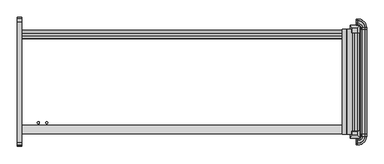
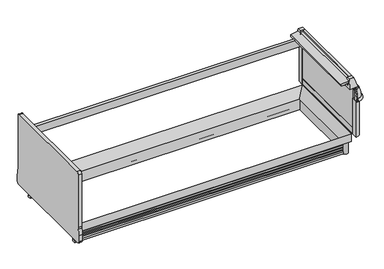
"""IFC4 building model written with IfcOpenShell, lengths in millimetres: proxy geometry."""

from ifc_helpers import new_model, si_unit, point, frame, frame_2d, origin, origin_with_axes, place, context, project, spatial, polyline, circle_curve, ellipse_curve, trimmed, segment, composite_curve, outline, extrude, faceted_brep, source, transform, mapped, element, save
from ifc_brep_helpers import plane_surface, cylinder_surface, revolved_surface, advanced_brep


def mechanical_equipment_f2664e0f(model_context):
    return source(origin(), model_context, "Body", "SolidModel", [
        faceted_brep([(3056.8225341, -1407.9898987, 887.830185), (3056.8225341, -1369.8898987, 887.830185), (3006.0225341, -1369.8898987, 887.830185), (3006.0225341, -1407.9898987, 887.830185), (3083.1736504, -1434.8571273, 789.5616491), (2995.4530658, -1434.8571273, 789.5616491), (2995.4530658, -1361.5806673, 789.5616491), (3083.1736504, -1361.5806673, 789.5616491)], [[[0, 1, 2, 3]], [[4, 5, 6, 7]], [[5, 4, 0, 3]], [[6, 5, 3, 2]], [[7, 6, 2, 1]], [[4, 7, 1, 0]]]),
        advanced_brep(
        [(3126.6448888, -441.4213458, 685.0123617), (3124.9991151, -441.4213458, 652.3000491), (3126.6448888, -427.271097, 685.0123617), (3124.9991151, -427.271097, 652.3000491), (3062.6679207, -364.9399026, 652.3000491), (3062.6679207, -363.2941289, 685.0123617), (3048.0, -363.2941289, 685.0123617), (3048.0, -364.9399026, 652.3000491)],
        [
            (0, 1),
            (1, 0, circle_curve(frame((3125.276553, -441.4213458, 668.6836472), z_axis=(0.0, -1.0, 0.0), x_axis=(-1.0, 0.0, 0.0)), 16.385947)),
            (0, 2),
            (2, 3),
            (3, 1),
            (3, 2, circle_curve(frame((3125.276553, -427.271097, 668.6836472), z_axis=(0.0, -1.0, 0.0), x_axis=(-1.0, 0.0, 0.0)), 16.385947)),
            (4, 3, circle_curve(frame((3062.6679207, -427.271097, 652.3000491), z_axis=(0.0, 0.0, -1.0), x_axis=(1.0, 0.0, 0.0)), 62.3311944)),
            (2, 5, circle_curve(frame((3062.6679207, -427.271097, 685.0123617), z_axis=(0.0, 0.0, 1.0), x_axis=(1.0, 0.0, 0.0)), 63.9769681)),
            (5, 4),
            (4, 5, circle_curve(frame((3062.6679207, -364.6624647, 668.6836472), z_axis=(1.0, 0.0, 0.0), x_axis=(0.0, -1.0, 0.0)), 16.385947)),
            (6, 7, circle_curve(frame((3048.0, -364.6624647, 668.6836472), z_axis=(-1.0, 0.0, 0.0), x_axis=(0.0, -1.0, 0.0)), 16.385947)),
            (7, 6),
            (5, 6),
            (7, 4),
        ],
        [
            plane_surface(frame((3141.6625, -441.4213458, 0.0), z_axis=(0.0, -1.0, 0.0), x_axis=(0.0, 0.0, 1.0))),
            plane_surface(frame((3126.6448888, -441.4213458, 685.0123617), z_axis=(-0.9987368228727785, 0.0, 0.05024697640642828), x_axis=(0.0, 1.0, 0.0))),
            cylinder_surface(frame((3125.276553, -441.4213458, 668.6836472), z_axis=(0.0, -1.0, 0.0), x_axis=(-1.0, 0.0, 0.0)), 16.385947),
            revolved_surface(polyline([(3126.6448888, -427.271097, 685.0123617), (3124.9991151, -427.271097, 652.3000491)]), (3062.6679207, -427.271097, 0.0), (0.0, 0.0, 1.0)),
            revolved_surface(trimmed(ellipse_curve(frame((3125.276553, -427.271097, 668.6836472), z_axis=(0.0, -1.0, 0.0), x_axis=(-1.0, 0.0, 0.0)), 16.385947, 16.385947), [point((3124.9991151, -427.271097, 652.3000491))], [point((3126.6448888, -427.271097, 685.0123617))], True, "CARTESIAN"), (3062.6679207, -427.271097, 0.0), (0.0, 0.0, 1.0)),
            plane_surface(frame((3048.0, -348.2765176, 0.0), z_axis=(-1.0, 0.0, 0.0), x_axis=(0.0, 0.0, 1.0))),
            plane_surface(frame((3062.6679207, -363.2941289, 685.0123617), z_axis=(0.0, -0.9987368228727785, 0.05024697640642828), x_axis=(-1.0, 0.0, 0.0))),
            cylinder_surface(frame((3062.6679207, -364.6624647, 668.6836472), z_axis=(1.0, 0.0, 0.0), x_axis=(0.0, -1.0, 0.0)), 16.385947),
        ],
        [
            (0, [[1, 2]]),
            (1, [[-1, 3, 4, 5]]),
            (2, [[-2, -5, 6, -3]]),
            (3, [[7, -4, 8, 9]]),
            (4, [[-8, -6, -7, 10]]),
            (5, [[11, 12]]),
            (6, [[-9, 13, -12, 14]]),
            (7, [[-10, -14, -11, -13]]),
        ],
    ),
        extrude(outline(composite_curve([segment(polyline([(3048.0, -441.4213458), (3048.0, -380.4372292)]), True, "CONTINUOUS"), segment(trimmed(circle_curve(frame_2d((3048.0, -441.4213458)), 60.9841166), [point((3048.0, -380.4372292))], [point((3108.9841166, -441.4213458))], False, "CARTESIAN"), True, "CONTINUOUS"), segment(polyline([(3108.9841166, -441.4213458), (3048.0, -441.4213458)]), True, "CONTINUOUS")], self_intersect=False)), frame((0.0, 0.0, 226.1000374), z_axis=(0.0, 0.0, 1.0), x_axis=(1.0, 0.0, 0.0)), (0.0, 0.0, 1.0), 424.6252116),
        advanced_brep(
        [(3089.0624683, -441.4213458, 789.5616491), (3076.294269, -441.4213458, 789.5616491), (3087.9930904, -441.4213458, 752.5993877), (3087.9930904, -441.4213458, 650.7252491), (3123.4243151, -441.4213458, 650.7252491), (3124.9991151, -441.4213458, 652.3000491), (3126.6448888, -441.4213458, 685.0123617), (3103.4738542, -441.4213458, 780.3445453), (3089.0624683, -427.271097, 789.5616491), (3062.6679207, -400.8765493, 789.5616491), (3048.0, -400.8765493, 789.5616491), (3048.0, -413.6447486, 789.5616491), (3062.6679207, -413.6447486, 789.5616491), (3076.294269, -427.271097, 789.5616491), (3087.9930904, -427.271097, 752.5993877), (3087.9930904, -427.271097, 650.7252491), (3062.6679207, -401.9459272, 650.7252491), (3048.0, -401.9459272, 650.7252491), (3048.0, -366.5147026, 650.7252491), (3062.6679207, -366.5147026, 650.7252491), (3123.4243151, -427.271097, 650.7252491), (3124.9991151, -427.271097, 652.3000491), (3126.6448888, -427.271097, 685.0123617), (3103.4738542, -427.271097, 780.3445453), (3048.0, -386.4651634, 780.3445453), (3048.0, -363.2941289, 685.0123617), (3048.0, -364.9399026, 652.3000491), (3048.0, -401.9459272, 752.5993877), (3062.6679207, -401.9459272, 752.5993877), (3062.6679207, -364.9399026, 652.3000491), (3062.6679207, -363.2941289, 685.0123617), (3062.6679207, -386.4651634, 780.3445453)],
        [
            (0, 1),
            (1, 2),
            (2, 3),
            (3, 4),
            (4, 5),
            (5, 6),
            (6, 7, circle_curve(frame((2872.8916802, -441.4213458, 673.8182058), z_axis=(0.0, -1.0, 0.0), x_axis=(-1.0, 0.0, 0.0)), 254.0)),
            (7, 0, circle_curve(frame((3089.0624683, -441.4213458, 773.6866491), z_axis=(0.0, -1.0, 0.0), x_axis=(-1.0, 0.0, 0.0)), 15.875)),
            (0, 8),
            (8, 9, circle_curve(frame((3062.6679207, -427.271097, 789.5616491), z_axis=(0.0, 0.0, 1.0), x_axis=(1.0, 0.0, 0.0)), 26.3945477)),
            (9, 10),
            (10, 11),
            (11, 12),
            (12, 13, circle_curve(frame((3062.6679207, -427.271097, 789.5616491), z_axis=(0.0, 0.0, -1.0), x_axis=(1.0, 0.0, 0.0)), 13.6263483)),
            (13, 1),
            (13, 14),
            (14, 2),
            (14, 15),
            (15, 3),
            (15, 16, circle_curve(frame((3062.6679207, -427.271097, 650.7252491), z_axis=(0.0, 0.0, 1.0), x_axis=(1.0, 0.0, 0.0)), 25.3251698)),
            (16, 17),
            (17, 18),
            (18, 19),
            (19, 20, circle_curve(frame((3062.6679207, -427.271097, 650.7252491), z_axis=(0.0, 0.0, -1.0), x_axis=(1.0, 0.0, 0.0)), 60.7563944)),
            (20, 4),
            (20, 21),
            (21, 5),
            (21, 22),
            (22, 6),
            (22, 23, circle_curve(frame((2872.8916802, -427.271097, 673.8182058), z_axis=(0.0, -1.0, 0.0), x_axis=(-1.0, 0.0, 0.0)), 254.0)),
            (23, 7),
            (23, 8, circle_curve(frame((3089.0624683, -427.271097, 773.6866491), z_axis=(0.0, -1.0, 0.0), x_axis=(-1.0, 0.0, 0.0)), 15.875)),
            (10, 24, circle_curve(frame((3048.0, -400.8765493, 773.6866491), z_axis=(-1.0, 0.0, 0.0), x_axis=(0.0, -1.0, 0.0)), 15.875)),
            (24, 25, circle_curve(frame((3048.0, -617.0473375, 673.8182058), z_axis=(-1.0, 0.0, 0.0), x_axis=(0.0, -1.0, 0.0)), 254.0)),
            (25, 26),
            (26, 18),
            (17, 27),
            (27, 11),
            (28, 14, circle_curve(frame((3062.6679207, -427.271097, 752.5993877), z_axis=(0.0, 0.0, -1.0), x_axis=(1.0, 0.0, 0.0)), 25.3251698)),
            (12, 28),
            (28, 16),
            (29, 21, circle_curve(frame((3062.6679207, -427.271097, 652.3000491), z_axis=(0.0, 0.0, -1.0), x_axis=(1.0, 0.0, 0.0)), 62.3311944)),
            (19, 29),
            (30, 22, circle_curve(frame((3062.6679207, -427.271097, 685.0123617), z_axis=(0.0, 0.0, -1.0), x_axis=(1.0, 0.0, 0.0)), 63.9769681)),
            (29, 30),
            (31, 23, circle_curve(frame((3062.6679207, -427.271097, 780.3445453), z_axis=(0.0, 0.0, -1.0), x_axis=(1.0, 0.0, 0.0)), 40.8059336)),
            (30, 31, circle_curve(frame((3062.6679207, -617.0473375, 673.8182058), z_axis=(1.0, 0.0, 0.0), x_axis=(0.0, -1.0, 0.0)), 254.0)),
            (31, 9, circle_curve(frame((3062.6679207, -400.8765493, 773.6866491), z_axis=(1.0, 0.0, 0.0), x_axis=(0.0, -1.0, 0.0)), 15.875)),
            (27, 28),
            (26, 29),
            (25, 30),
            (24, 31),
        ],
        [
            plane_surface(frame((3141.6625, -441.4213458, 0.0), z_axis=(0.0, -1.0, 0.0), x_axis=(0.0, 0.0, 1.0))),
            plane_surface(frame((3089.0624683, -441.4213458, 789.5616491), z_axis=(0.0, 0.0, 1.0), x_axis=(0.0, 1.0, 0.0))),
            plane_surface(frame((3076.294269, -441.4213458, 789.5616491), z_axis=(-0.9533859746647335, 0.0, -0.3017535141677331), x_axis=(0.0, 1.0, 0.0))),
            plane_surface(frame((3087.9930904, -441.4213458, 752.5993877), z_axis=(-1.0, 0.0, 0.0), x_axis=(0.0, 1.0, 0.0))),
            plane_surface(frame((3109.5051151, -441.4213458, 650.7252491), z_axis=(0.0, 0.0, -1.0), x_axis=(0.0, 1.0, 0.0))),
            plane_surface(frame((3123.4243151, -441.4213458, 650.7252491), z_axis=(0.7071067811865779, 0.0, -0.7071067811865172), x_axis=(0.0, 1.0, 0.0))),
            plane_surface(frame((3124.9991151, -441.4213458, 652.3000491), z_axis=(0.9987368228727792, 0.0, -0.050246976406415636), x_axis=(0.0, 1.0, 0.0))),
            cylinder_surface(frame((2872.8916802, -441.4213458, 673.8182058), z_axis=(0.0, -1.0, 0.0), x_axis=(-1.0, 0.0, 0.0)), 254.0),
            cylinder_surface(frame((3089.0624683, -441.4213458, 773.6866491), z_axis=(0.0, -1.0, 0.0), x_axis=(-1.0, 0.0, 0.0)), 15.875),
            plane_surface(frame((3048.0, -348.2765176, 0.0), z_axis=(-1.0, 0.0, 0.0), x_axis=(0.0, 0.0, 1.0))),
            revolved_surface(polyline([(3076.294269, -427.271097, 789.5616491), (3087.9930904, -427.271097, 752.5993877)]), (3062.6679207, -427.271097, 0.0), (0.0, 0.0, 1.0)),
            revolved_surface(polyline([(3087.9930905, -427.271097, 752.5993877), (3087.9930905, -427.271097, 650.7252491)]), (3062.6679207, -427.271097, 0.0), (0.0, 0.0, 1.0)),
            revolved_surface(polyline([(3123.4243151, -427.271097, 650.7252491), (3124.9991151, -427.271097, 652.3000491)]), (3062.6679207, -427.271097, 0.0), (0.0, 0.0, 1.0)),
            revolved_surface(polyline([(3124.9991151, -427.271097, 652.3000491), (3126.6448888, -427.271097, 685.0123617)]), (3062.6679207, -427.271097, 0.0), (0.0, 0.0, 1.0)),
            revolved_surface(trimmed(ellipse_curve(frame((2872.8916802, -427.271097, 673.8182058), z_axis=(0.0, -1.0, 0.0), x_axis=(-1.0, 0.0, 0.0)), 254.0, 254.0), [point((3126.6448888, -427.271097, 685.0123617))], [point((3103.4738542, -427.271097, 780.3445453))], True, "CARTESIAN"), (3062.6679207, -427.271097, 0.0), (0.0, 0.0, 1.0)),
            revolved_surface(trimmed(ellipse_curve(frame((3089.0624683, -427.271097, 773.6866491), z_axis=(0.0, -1.0, 0.0), x_axis=(-1.0, 0.0, 0.0)), 15.875, 15.875), [point((3103.4738542, -427.271097, 780.3445453))], [point((3089.0624683, -427.271097, 789.5616491))], True, "CARTESIAN"), (3062.6679207, -427.271097, 0.0), (0.0, 0.0, 1.0)),
            plane_surface(frame((3062.6679207, -413.6447486, 789.5616491), z_axis=(0.0, -0.9533859746647335, -0.3017535141677331), x_axis=(-1.0, 0.0, 0.0))),
            plane_surface(frame((3062.6679207, -401.9459272, 752.5993877), z_axis=(0.0, -1.0, 0.0), x_axis=(-1.0, 0.0, 0.0))),
            plane_surface(frame((3062.6679207, -366.5147026, 650.7252491), z_axis=(0.0, 0.7071067811865779, -0.7071067811865172), x_axis=(-1.0, 0.0, 0.0))),
            plane_surface(frame((3062.6679207, -364.9399026, 652.3000491), z_axis=(0.0, 0.9987368228727792, -0.050246976406415636), x_axis=(-1.0, 0.0, 0.0))),
            cylinder_surface(frame((3062.6679207, -617.0473375, 673.8182058), z_axis=(1.0, 0.0, 0.0), x_axis=(0.0, -1.0, 0.0)), 254.0),
            cylinder_surface(frame((3062.6679207, -400.8765493, 773.6866491), z_axis=(1.0, 0.0, 0.0), x_axis=(0.0, -1.0, 0.0)), 15.875),
        ],
        [
            (0, [[1, 2, 3, 4, 5, 6, 7, 8]]),
            (1, [[-1, 9, 10, 11, 12, 13, 14, 15]]),
            (2, [[-2, -15, 16, 17]]),
            (3, [[-3, -17, 18, 19]]),
            (4, [[-19, 20, 21, 22, 23, 24, 25, -4]]),
            (5, [[-5, -25, 26, 27]]),
            (6, [[-6, -27, 28, 29]]),
            (7, [[-7, -29, 30, 31]]),
            (8, [[-8, -31, 32, -9]]),
            (9, [[33, 34, 35, 36, -22, 37, 38, -12]]),
            (10, [[39, -16, -14, 40]]),
            (11, [[-20, -18, -39, 41]]),
            (12, [[42, -26, -24, 43]]),
            (13, [[44, -28, -42, 45]]),
            (14, [[46, -30, -44, 47]]),
            (15, [[-10, -32, -46, 48]]),
            (16, [[-40, -13, -38, 49]]),
            (17, [[-41, -49, -37, -21]]),
            (18, [[-43, -23, -36, 50]]),
            (19, [[-45, -50, -35, 51]]),
            (20, [[-47, -51, -34, 52]]),
            (21, [[-48, -52, -33, -11]]),
        ],
    ),
        faceted_brep([(3056.8225341, -433.0243559, 887.830185), (3006.0225341, -433.0243559, 887.830185), (3006.0225341, -471.1243559, 887.830185), (3056.8225341, -471.1243559, 887.830185), (3083.1736504, -406.1571273, 789.5616491), (3083.1736504, -479.4335873, 789.5616491), (2995.4530658, -479.4335873, 789.5616491), (2995.4530658, -406.1571273, 789.5616491)], [[[0, 1, 2, 3]], [[4, 5, 6, 7]], [[4, 7, 1, 0]], [[7, 6, 2, 1]], [[6, 5, 3, 2]], [[5, 4, 0, 3]]]),
        extrude(outline(composite_curve([segment(trimmed(circle_curve(frame_2d((2995.9826477, -1346.327275)), 30.3864225), [point((3011.8253577, -1320.3976931))], [point((2970.0530658, -1362.169985))], False, "CARTESIAN"), True, "CONTINUOUS"), segment(polyline([(2970.0530658, -1362.169985), (3011.8253577, -1320.3976931)]), True, "CONTINUOUS")], self_intersect=False)), origin_with_axes(), (0.0, 0.0, 1.0), 134.9377392),
        extrude(outline(composite_curve([segment(polyline([(3011.8253577, -520.6165615), (2970.0530658, -478.8442696)]), True, "CONTINUOUS"), segment(trimmed(circle_curve(frame_2d((2995.9826477, -494.6869796)), 30.3864225), [point((2970.0530658, -478.8442696))], [point((3011.8253577, -520.6165615))], False, "CARTESIAN"), True, "CONTINUOUS")], self_intersect=False)), origin_with_axes(), (0.0, 0.0, 1.0), 134.9377392),
        faceted_brep([(0.0, -1315.4009706, 134.9377392), (0.0, -1391.2014814, 134.9377392), (0.0, -1391.2014814, 226.1000374), (2965.0563433, -1315.4009706, 134.9377392), (2965.0563433, -525.6132839, 134.9377392), (0.0, -525.6132839, 134.9377392), (0.0, -449.8127732, 134.9377392), (3040.8568541, -449.8127732, 134.9377392), (3040.8568541, -1391.2014814, 134.9377392), (3040.8568541, -1391.2014814, 226.1000374), (3040.8568541, -449.8127732, 226.1000374), (0.0, -449.8127732, 226.1000374)], [[[0, 1, 2]], [[1, 0, 3, 4, 5, 6, 7, 8]], [[2, 1, 8, 9]], [[0, 2, 9, 3]], [[9, 8, 7, 10]], [[3, 9, 10, 4]], [[5, 11, 6]], [[10, 7, 6, 11]], [[4, 10, 11, 5]]]),
        advanced_brep(
        [(0.0, -1362.169985, 0.0), (0.0, -1362.169985, 22.738034), (0.0, -1348.552182, 32.3453469), (0.0, -1345.063085, 43.510607), (0.0, -1355.7002802, 41.3527842), (0.0, -1357.6941802, 41.3527842), (0.0, -1357.6941802, 54.0527842), (0.0, -1348.552182, 63.31753), (0.0, -1345.063085, 74.4827901), (0.0, -1355.7002802, 72.3249673), (0.0, -1357.6941802, 72.3249673), (0.0, -1357.6941802, 85.0249673), (0.0, -1348.552182, 94.2897131), (0.0, -1345.063085, 105.3285212), (0.0, -1355.7002802, 103.2973373), (0.0, -1357.6941802, 103.2973373), (0.0, -1357.6941802, 115.9973373), (0.0, -1345.063085, 128.6971504), (0.0, -1345.063085, 134.9377392), (0.0, -1329.6202359, 134.9377392), (0.0, -1329.6202359, 0.0), (3011.8253577, -1362.169985, 0.0), (3011.8253577, -1362.169985, 22.738034), (2998.2075547, -1348.552182, 32.3453469), (2994.7184577, -1345.063085, 43.510607), (3005.3556529, -1355.7002802, 41.3527842), (3005.3556529, -485.3139744, 41.3527842), (0.0, -485.3139744, 41.3527842), (0.0, -483.3200744, 41.3527842), (3007.3495529, -483.3200744, 41.3527842), (3007.3495529, -1357.6941802, 41.3527842), (3007.3495529, -1357.6941802, 54.0527842), (2998.2075547, -1348.552182, 63.31753), (2994.7184577, -1345.063085, 74.4827901), (3005.3556529, -1355.7002802, 72.3249673), (3005.3556529, -485.3139744, 72.3249673), (0.0, -485.3139744, 72.3249673), (0.0, -483.3200744, 72.3249673), (3007.3495529, -483.3200744, 72.3249673), (3007.3495529, -1357.6941802, 72.3249673), (3007.3495529, -1357.6941802, 85.0249673), (2998.2075547, -1348.552182, 94.2897131), (2994.7184577, -1345.063085, 105.3285212), (3005.3556529, -1355.7002802, 103.2973373), (3005.3556529, -485.3139744, 103.2973373), (0.0, -485.3139744, 103.2973373), (0.0, -483.3200744, 103.2973373), (3007.3495529, -483.3200744, 103.2973373), (3007.3495529, -1357.6941802, 103.2973373), (3007.3495529, -1357.6941802, 115.9973373), (2994.7184577, -1345.063085, 128.6971504), (2994.7184577, -1345.063085, 134.9377392), (2994.7184577, -495.9511696, 134.9377392), (0.0, -495.9511696, 134.9377392), (0.0, -511.3940187, 134.9377392), (2979.2756086, -511.3940187, 134.9377392), (2979.2756086, -1329.6202359, 134.9377392), (2979.2756086, -1329.6202359, 0.0), (2979.2756086, -511.3940187, 0.0), (0.0, -511.3940187, 0.0), (0.0, -478.8442696, 0.0), (3011.8253577, -478.8442696, 0.0), (3011.8253577, -478.8442696, 22.738034), (2998.2075547, -492.4620726, 32.3453469), (2994.7184577, -495.9511696, 43.510607), (3007.3495529, -483.3200744, 54.0527842), (2998.2075547, -492.4620726, 63.31753), (2994.7184577, -495.9511696, 74.4827901), (3007.3495529, -483.3200744, 85.0249673), (2998.2075547, -492.4620726, 94.2897131), (2994.7184577, -495.9511696, 105.3285212), (3007.3495529, -483.3200744, 115.9973373), (2994.7184577, -495.9511696, 128.6971504), (0.0, -495.9511696, 128.6971504), (0.0, -483.3200744, 115.9973373), (0.0, -495.9511696, 105.3285212), (0.0, -492.4620726, 94.2897131), (0.0, -483.3200744, 85.0249673), (0.0, -495.9511696, 74.4827901), (0.0, -492.4620726, 63.31753), (0.0, -483.3200744, 54.0527842), (0.0, -495.9511696, 43.510607), (0.0, -492.4620726, 32.3453469), (0.0, -478.8442696, 22.738034)],
        [
            (0, 1),
            (1, 2, circle_curve(frame((0.0, -1361.6341614, 36.4334108), z_axis=(1.0, 0.0, 0.0), x_axis=(0.0, 1.0, 0.0)), 13.7058546)),
            (2, 3),
            (3, 4),
            (4, 5),
            (5, 6),
            (6, 7, circle_curve(frame((0.0, -1362.112048, 67.5549314), z_axis=(1.0, 0.0, 0.0), x_axis=(0.0, 1.0, 0.0)), 14.2065314)),
            (7, 8),
            (8, 9),
            (9, 10),
            (10, 11),
            (11, 12, circle_curve(frame((0.0, -1362.1844233, 98.598531), z_axis=(1.0, 0.0, 0.0), x_axis=(0.0, 1.0, 0.0)), 14.2969897)),
            (12, 13),
            (13, 14),
            (14, 15),
            (15, 16),
            (16, 17, circle_curve(frame((0.0, -1357.763085, 128.6971504), z_axis=(1.0, 0.0, 0.0), x_axis=(0.0, 1.0, 0.0)), 12.7)),
            (17, 18),
            (18, 19),
            (19, 20),
            (20, 0),
            (0, 21),
            (21, 22),
            (22, 1),
            (22, 23, ellipse_curve(frame((3011.2895341, -1361.6341614, 36.4334108), z_axis=(0.7071067811865475, 0.7071067811865475, 0.0), x_axis=(0.7071067811865476, -0.7071067811865474, 0.0)), 19.3830055, 13.7058546)),
            (23, 2),
            (23, 24),
            (24, 3),
            (24, 25),
            (25, 4),
            (25, 26),
            (26, 27),
            (27, 28),
            (28, 29),
            (29, 30),
            (30, 5),
            (30, 31),
            (31, 6),
            (31, 32, ellipse_curve(frame((3011.7674207, -1362.112048, 67.5549314), z_axis=(0.7071067811865475, 0.7071067811865475, 0.0), x_axis=(0.7071067811865476, -0.7071067811865474, 0.0)), 20.0910694, 14.2065314)),
            (32, 7),
            (32, 33),
            (33, 8),
            (33, 34),
            (34, 9),
            (34, 35),
            (35, 36),
            (36, 37),
            (37, 38),
            (38, 39),
            (39, 10),
            (39, 40),
            (40, 11),
            (40, 41, ellipse_curve(frame((3011.839796, -1362.1844233, 98.598531), z_axis=(0.7071067811865475, 0.7071067811865475, 0.0), x_axis=(0.7071067811865476, -0.7071067811865474, 0.0)), 20.2189967, 14.2969897)),
            (41, 12),
            (41, 42),
            (42, 13),
            (42, 43),
            (43, 14),
            (43, 44),
            (44, 45),
            (45, 46),
            (46, 47),
            (47, 48),
            (48, 15),
            (48, 49),
            (49, 16),
            (49, 50, ellipse_curve(frame((3007.4184577, -1357.763085, 128.6971504), z_axis=(0.7071067811865475, 0.7071067811865475, 0.0), x_axis=(0.7071067811865476, -0.7071067811865474, 0.0)), 17.9605122, 12.7)),
            (50, 17),
            (50, 51),
            (51, 18),
            (51, 52),
            (52, 53),
            (53, 54),
            (54, 55),
            (55, 56),
            (56, 19),
            (56, 57),
            (57, 20),
            (57, 58),
            (58, 59),
            (59, 60),
            (60, 61),
            (61, 21),
            (61, 62),
            (62, 22),
            (62, 63, ellipse_curve(frame((3011.2895341, -479.3800932, 36.4334108), z_axis=(-0.7071067811865475, 0.7071067811865475, 0.0), x_axis=(0.7071067811865474, 0.7071067811865476, 0.0)), 19.3830055, 13.7058546)),
            (63, 23),
            (63, 64),
            (64, 24),
            (64, 26),
            (29, 65),
            (65, 31),
            (65, 66, ellipse_curve(frame((3011.7674207, -478.9022066, 67.5549314), z_axis=(-0.7071067811865475, 0.7071067811865475, 0.0), x_axis=(0.7071067811865474, 0.7071067811865476, 0.0)), 20.0910694, 14.2065314)),
            (66, 32),
            (66, 67),
            (67, 33),
            (67, 35),
            (38, 68),
            (68, 40),
            (68, 69, ellipse_curve(frame((3011.839796, -478.8298313, 98.598531), z_axis=(-0.7071067811865475, 0.7071067811865475, 0.0), x_axis=(0.7071067811865474, 0.7071067811865476, 0.0)), 20.2189967, 14.2969897)),
            (69, 41),
            (69, 70),
            (70, 42),
            (70, 44),
            (47, 71),
            (71, 49),
            (71, 72, ellipse_curve(frame((3007.4184577, -483.2511696, 128.6971504), z_axis=(-0.7071067811865475, 0.7071067811865475, 0.0), x_axis=(0.7071067811865474, 0.7071067811865476, 0.0)), 17.9605122, 12.7)),
            (72, 50),
            (72, 52),
            (55, 58),
            (59, 54),
            (53, 73),
            (73, 74, circle_curve(frame((0.0, -483.2511696, 128.6971504), z_axis=(1.0, 0.0, 0.0), x_axis=(0.0, -1.0, 0.0)), 12.7)),
            (74, 46),
            (45, 75),
            (75, 76),
            (76, 77, circle_curve(frame((0.0, -478.8298313, 98.598531), z_axis=(1.0, 0.0, 0.0), x_axis=(0.0, -1.0, 0.0)), 14.2969897)),
            (77, 37),
            (36, 78),
            (78, 79),
            (79, 80, circle_curve(frame((0.0, -478.9022066, 67.5549314), z_axis=(1.0, 0.0, 0.0), x_axis=(0.0, -1.0, 0.0)), 14.2065314)),
            (80, 28),
            (27, 81),
            (81, 82),
            (82, 83, circle_curve(frame((0.0, -479.3800932, 36.4334108), z_axis=(1.0, 0.0, 0.0), x_axis=(0.0, -1.0, 0.0)), 13.7058546)),
            (83, 60),
            (83, 62),
            (82, 63),
            (81, 64),
            (80, 65),
            (79, 66),
            (78, 67),
            (77, 68),
            (76, 69),
            (75, 70),
            (74, 71),
            (73, 72),
        ],
        [
            plane_surface(frame((0.0, -1492.0071273, 0.0), z_axis=(-1.0, 0.0, 0.0), x_axis=(0.0, 0.0, 1.0))),
            plane_surface(frame((0.0, -1362.169985, 0.0), z_axis=(0.0, -1.0, 0.0), x_axis=(1.0, 0.0, 0.0))),
            revolved_surface(polyline([(3024.995388728826, -1347.9283068, 36.4334108), (0.0, -1347.9283068, 36.4334108)]), (0.0, -1361.6341614, 36.4334108), (1.0, 0.0, 0.0)),
            plane_surface(frame((0.0, -1348.552182, 32.3453469), z_axis=(0.0, -0.9544811145040085, 0.29827135641087943), x_axis=(1.0, 0.0, 0.0))),
            plane_surface(frame((0.0, -1345.063085, 43.510607), z_axis=(0.0, 0.19880707887695687, -0.9800386448443814), x_axis=(1.0, 0.0, 0.0))),
            plane_surface(frame((0.0, -1355.7002802, 41.3527842), z_axis=(0.0, 0.0, -1.0), x_axis=(1.0, 0.0, 0.0))),
            plane_surface(frame((0.0, -1357.6941802, 41.3527842), z_axis=(0.0, -1.0, 0.0), x_axis=(1.0, 0.0, 0.0))),
            revolved_surface(polyline([(3025.9739521140295, -1347.9055166, 67.5549314), (0.0, -1347.9055166, 67.5549314)]), (0.0, -1362.112048, 67.5549314), (1.0, 0.0, 0.0)),
            plane_surface(frame((0.0, -1348.552182, 63.31753), z_axis=(0.0, -0.9544811145040126, 0.2982713564108663), x_axis=(1.0, 0.0, 0.0))),
            plane_surface(frame((0.0, -1345.063085, 74.4827901), z_axis=(0.0, 0.19880707887702875, -0.9800386448443668), x_axis=(1.0, 0.0, 0.0))),
            plane_surface(frame((0.0, -1355.7002802, 72.3249673), z_axis=(0.0, 0.0, -1.0), x_axis=(1.0, 0.0, 0.0))),
            plane_surface(frame((0.0, -1357.6941802, 72.3249673), z_axis=(0.0, -1.0, 0.0), x_axis=(1.0, 0.0, 0.0))),
            revolved_surface(polyline([(3026.1367856753586, -1347.8874336, 98.598531), (0.0, -1347.8874336, 98.598531)]), (0.0, -1362.1844233, 98.598531), (1.0, 0.0, 0.0)),
            plane_surface(frame((0.0, -1348.552182, 94.2897131), z_axis=(0.0, -0.9535043111328338, 0.30137937661873965), x_axis=(1.0, 0.0, 0.0))),
            plane_surface(frame((0.0, -1345.063085, 105.3285212), z_axis=(0.0, 0.18756221551803512, -0.982252724765865), x_axis=(1.0, 0.0, 0.0))),
            plane_surface(frame((0.0, -1355.7002802, 103.2973373), z_axis=(0.0, 0.0, -1.0), x_axis=(1.0, 0.0, 0.0))),
            plane_surface(frame((0.0, -1357.6941802, 103.2973373), z_axis=(0.0, -1.0, 0.0), x_axis=(1.0, 0.0, 0.0))),
            revolved_surface(polyline([(3020.118457670204, -1345.063085, 128.6971504), (0.0, -1345.063085, 128.6971504)]), (0.0, -1357.763085, 128.6971504), (1.0, 0.0, 0.0)),
            plane_surface(frame((0.0, -1345.063085, 128.6971504), z_axis=(0.0, -1.0, 0.0), x_axis=(1.0, 0.0, 0.0))),
            plane_surface(frame((0.0, -1345.063085, 134.9377392), z_axis=(0.0, 0.0, 1.0), x_axis=(1.0, 0.0, 0.0))),
            plane_surface(frame((0.0, -1329.6202359, 134.9377392), z_axis=(0.0, 1.0, 0.0), x_axis=(1.0, 0.0, 0.0))),
            plane_surface(frame((0.0, -1329.6202359, 0.0), z_axis=(0.0, 0.0, -1.0), x_axis=(1.0, 0.0, 0.0))),
            plane_surface(frame((3011.8253577, -1362.169985, 0.0), z_axis=(1.0, 0.0, 0.0), x_axis=(0.0, 1.0, 0.0))),
            revolved_surface(polyline([(2997.5836795, -465.6742385711739, 36.4334108), (2997.5836795, -1375.340016028826, 36.4334108)]), (3011.2895341, -1492.0071273, 36.4334108), (0.0, 1.0, 0.0)),
            plane_surface(frame((2998.2075547, -1348.552182, 32.3453469), z_axis=(0.9544811145040085, 0.0, 0.29827135641087943), x_axis=(0.0, 1.0, 0.0))),
            plane_surface(frame((2994.7184577, -1345.063085, 43.510607), z_axis=(-0.19880707887695687, 0.0, -0.9800386448443814), x_axis=(0.0, 1.0, 0.0))),
            plane_surface(frame((3007.3495529, -1357.6941802, 41.3527842), z_axis=(1.0, 0.0, 0.0), x_axis=(0.0, 1.0, 0.0))),
            revolved_surface(polyline([(2997.5608893, -464.69567518597046, 67.5549314), (2997.5608893, -1376.3185794140295, 67.5549314)]), (3011.7674207, -1492.0071273, 67.5549314), (0.0, 1.0, 0.0)),
            plane_surface(frame((2998.2075547, -1348.552182, 63.31753), z_axis=(0.9544811145040126, 0.0, 0.2982713564108663), x_axis=(0.0, 1.0, 0.0))),
            plane_surface(frame((2994.7184577, -1345.063085, 74.4827901), z_axis=(-0.19880707887702875, 0.0, -0.9800386448443668), x_axis=(0.0, 1.0, 0.0))),
            plane_surface(frame((3007.3495529, -1357.6941802, 72.3249673), z_axis=(1.0, 0.0, 0.0), x_axis=(0.0, 1.0, 0.0))),
            revolved_surface(polyline([(2997.5428063000004, -464.5328416246416, 98.598531), (2997.5428063000004, -1376.4814129753584, 98.598531)]), (3011.839796, -1492.0071273, 98.598531), (0.0, 1.0, 0.0)),
            plane_surface(frame((2998.2075547, -1348.552182, 94.2897131), z_axis=(0.9535043111328338, 0.0, 0.30137937661873965), x_axis=(0.0, 1.0, 0.0))),
            plane_surface(frame((2994.7184577, -1345.063085, 105.3285212), z_axis=(-0.18756221551803512, 0.0, -0.982252724765865), x_axis=(0.0, 1.0, 0.0))),
            plane_surface(frame((3007.3495529, -1357.6941802, 103.2973373), z_axis=(1.0, 0.0, 0.0), x_axis=(0.0, 1.0, 0.0))),
            revolved_surface(polyline([(2994.7184577000003, -470.5511696297963, 128.6971504), (2994.7184577000003, -1370.4630849702037, 128.6971504)]), (3007.4184577, -1492.0071273, 128.6971504), (0.0, 1.0, 0.0)),
            plane_surface(frame((2994.7184577, -1345.063085, 128.6971504), z_axis=(1.0, 0.0, 0.0), x_axis=(0.0, 1.0, 0.0))),
            plane_surface(frame((2979.2756086, -1329.6202359, 134.9377392), z_axis=(-1.0, 0.0, 0.0), x_axis=(0.0, 1.0, 0.0))),
            plane_surface(frame((0.0, -349.0071273, 0.0), z_axis=(-1.0, 0.0, 0.0), x_axis=(0.0, 0.0, 1.0))),
            plane_surface(frame((3011.8253577, -478.8442696, 0.0), z_axis=(0.0, 1.0, 0.0), x_axis=(-1.0, 0.0, 0.0))),
            revolved_surface(polyline([(0.0, -493.0859478, 36.4334108), (3024.995388728826, -493.0859478, 36.4334108)]), (3141.6625, -479.3800932, 36.4334108), (-1.0, 0.0, 0.0)),
            plane_surface(frame((2998.2075547, -492.4620726, 32.3453469), z_axis=(0.0, 0.9544811145040085, 0.29827135641087943), x_axis=(-1.0, 0.0, 0.0))),
            plane_surface(frame((2994.7184577, -495.9511696, 43.510607), z_axis=(0.0, -0.19880707887695687, -0.9800386448443814), x_axis=(-1.0, 0.0, 0.0))),
            plane_surface(frame((3007.3495529, -483.3200744, 41.3527842), z_axis=(0.0, 1.0, 0.0), x_axis=(-1.0, 0.0, 0.0))),
            revolved_surface(polyline([(0.0, -493.108738, 67.5549314), (3025.9739521140295, -493.108738, 67.5549314)]), (3141.6625, -478.9022066, 67.5549314), (-1.0, 0.0, 0.0)),
            plane_surface(frame((2998.2075547, -492.4620726, 63.31753), z_axis=(0.0, 0.9544811145040126, 0.2982713564108663), x_axis=(-1.0, 0.0, 0.0))),
            plane_surface(frame((2994.7184577, -495.9511696, 74.4827901), z_axis=(0.0, -0.19880707887702875, -0.9800386448443668), x_axis=(-1.0, 0.0, 0.0))),
            plane_surface(frame((3007.3495529, -483.3200744, 72.3249673), z_axis=(0.0, 1.0, 0.0), x_axis=(-1.0, 0.0, 0.0))),
            revolved_surface(polyline([(0.0, -493.126821, 98.598531), (3026.1367856753586, -493.126821, 98.598531)]), (3141.6625, -478.8298313, 98.598531), (-1.0, 0.0, 0.0)),
            plane_surface(frame((2998.2075547, -492.4620726, 94.2897131), z_axis=(0.0, 0.9535043111328338, 0.30137937661873965), x_axis=(-1.0, 0.0, 0.0))),
            plane_surface(frame((2994.7184577, -495.9511696, 105.3285212), z_axis=(0.0, -0.18756221551803512, -0.982252724765865), x_axis=(-1.0, 0.0, 0.0))),
            plane_surface(frame((3007.3495529, -483.3200744, 103.2973373), z_axis=(0.0, 1.0, 0.0), x_axis=(-1.0, 0.0, 0.0))),
            revolved_surface(polyline([(0.0, -495.9511696, 128.6971504), (3020.118457670204, -495.9511696, 128.6971504)]), (3141.6625, -483.2511696, 128.6971504), (-1.0, 0.0, 0.0)),
            plane_surface(frame((2994.7184577, -495.9511696, 128.6971504), z_axis=(0.0, 1.0, 0.0), x_axis=(-1.0, 0.0, 0.0))),
            plane_surface(frame((2979.2756086, -511.3940187, 134.9377392), z_axis=(0.0, -1.0, 0.0), x_axis=(-1.0, 0.0, 0.0))),
        ],
        [
            (0, [[1, 2, 3, 4, 5, 6, 7, 8, 9, 10, 11, 12, 13, 14, 15, 16, 17, 18, 19, 20, 21]]),
            (1, [[-1, 22, 23, 24]]),
            (2, [[-2, -24, 25, 26]]),
            (3, [[-3, -26, 27, 28]]),
            (4, [[-4, -28, 29, 30]]),
            (5, [[-5, -30, 31, 32, 33, 34, 35, 36]]),
            (6, [[-6, -36, 37, 38]]),
            (7, [[-7, -38, 39, 40]]),
            (8, [[-8, -40, 41, 42]]),
            (9, [[-9, -42, 43, 44]]),
            (10, [[-10, -44, 45, 46, 47, 48, 49, 50]]),
            (11, [[-11, -50, 51, 52]]),
            (12, [[-12, -52, 53, 54]]),
            (13, [[-13, -54, 55, 56]]),
            (14, [[-14, -56, 57, 58]]),
            (15, [[-15, -58, 59, 60, 61, 62, 63, 64]]),
            (16, [[-16, -64, 65, 66]]),
            (17, [[-17, -66, 67, 68]]),
            (18, [[-18, -68, 69, 70]]),
            (19, [[-19, -70, 71, 72, 73, 74, 75, 76]]),
            (20, [[-20, -76, 77, 78]]),
            (21, [[-21, -78, 79, 80, 81, 82, 83, -22]]),
            (22, [[-23, -83, 84, 85]]),
            (23, [[-25, -85, 86, 87]]),
            (24, [[-27, -87, 88, 89]]),
            (25, [[-29, -89, 90, -31]]),
            (26, [[-37, -35, 91, 92]]),
            (27, [[-39, -92, 93, 94]]),
            (28, [[-41, -94, 95, 96]]),
            (29, [[-43, -96, 97, -45]]),
            (30, [[-51, -49, 98, 99]]),
            (31, [[-53, -99, 100, 101]]),
            (32, [[-55, -101, 102, 103]]),
            (33, [[-57, -103, 104, -59]]),
            (34, [[-65, -63, 105, 106]]),
            (35, [[-67, -106, 107, 108]]),
            (36, [[-69, -108, 109, -71]]),
            (37, [[-77, -75, 110, -79]]),
            (38, [[-81, 111, -73, 112, 113, 114, -61, 115, 116, 117, 118, -47, 119, 120, 121, 122, -33, 123, 124, 125, 126]]),
            (39, [[-84, -82, -126, 127]]),
            (40, [[-86, -127, -125, 128]]),
            (41, [[-88, -128, -124, 129]]),
            (42, [[-90, -129, -123, -32]]),
            (43, [[-91, -34, -122, 130]]),
            (44, [[-93, -130, -121, 131]]),
            (45, [[-95, -131, -120, 132]]),
            (46, [[-97, -132, -119, -46]]),
            (47, [[-98, -48, -118, 133]]),
            (48, [[-100, -133, -117, 134]]),
            (49, [[-102, -134, -116, 135]]),
            (50, [[-104, -135, -115, -60]]),
            (51, [[-105, -62, -114, 136]]),
            (52, [[-107, -136, -113, 137]]),
            (53, [[-109, -137, -112, -72]]),
            (54, [[-110, -74, -111, -80]]),
        ],
    ),
        advanced_brep(
        [(3126.6448888, -1399.5929088, 685.0123617), (3124.9991151, -1399.5929088, 652.3000491), (3124.9991151, -1413.7431576, 652.3000491), (3126.6448888, -1413.7431576, 685.0123617), (3062.6679207, -1477.7201257, 685.0123617), (3062.6679207, -1476.074352, 652.3000491), (3048.0, -1477.7201257, 685.0123617), (3048.0, -1476.074352, 652.3000491)],
        [
            (0, 1, circle_curve(frame((3125.276553, -1399.5929088, 668.6836472), z_axis=(0.0, 1.0, 0.0), x_axis=(1.0, 0.0, 0.0)), 16.385947)),
            (1, 0),
            (1, 2),
            (2, 3),
            (3, 0),
            (3, 2, circle_curve(frame((3125.276553, -1413.7431576, 668.6836472), z_axis=(0.0, 1.0, 0.0), x_axis=(1.0, 0.0, 0.0)), 16.385947)),
            (4, 3, circle_curve(frame((3062.6679207, -1413.7431576, 685.0123617), z_axis=(0.0, 0.0, 1.0), x_axis=(1.0, 0.0, 0.0)), 63.9769681)),
            (2, 5, circle_curve(frame((3062.6679207, -1413.7431576, 652.3000491), z_axis=(0.0, 0.0, -1.0), x_axis=(1.0, 0.0, 0.0)), 62.3311944)),
            (5, 4),
            (4, 5, circle_curve(frame((3062.6679207, -1476.3517899, 668.6836472), z_axis=(1.0, 0.0, 0.0), x_axis=(0.0, -1.0, 0.0)), 16.385947)),
            (6, 7),
            (7, 6, circle_curve(frame((3048.0, -1476.3517899, 668.6836472), z_axis=(-1.0, 0.0, 0.0), x_axis=(0.0, -1.0, 0.0)), 16.385947)),
            (5, 7),
            (6, 4),
        ],
        [
            plane_surface(frame((3141.6625, -1399.5929088, 0.0), z_axis=(0.0, 1.0, 0.0), x_axis=(0.0, 0.0, 1.0))),
            plane_surface(frame((3124.9991151, -1399.5929088, 652.3000491), z_axis=(-0.9987368228727785, 0.0, 0.05024697640642828), x_axis=(0.0, -1.0, 0.0))),
            cylinder_surface(frame((3125.276553, -1399.5929088, 668.6836472), z_axis=(0.0, 1.0, 0.0), x_axis=(1.0, 0.0, 0.0)), 16.385947),
            revolved_surface(polyline([(3124.9991151, -1413.7431576, 652.3000491), (3126.6448888, -1413.7431576, 685.0123617)]), (3062.6679207, -1413.7431576, 0.0), (0.0, 0.0, -1.0)),
            revolved_surface(trimmed(ellipse_curve(frame((3125.276553, -1413.7431576, 668.6836472), z_axis=(0.0, 1.0, 0.0), x_axis=(1.0, 0.0, 0.0)), 16.385947, 16.385947), [point((3126.6448888, -1413.7431576, 685.0123617))], [point((3124.9991151, -1413.7431576, 652.3000491))], True, "CARTESIAN"), (3062.6679207, -1413.7431576, 0.0), (0.0, 0.0, -1.0)),
            plane_surface(frame((3048.0, -1492.737737, 0.0), z_axis=(-1.0, 0.0, 0.0), x_axis=(0.0, 0.0, 1.0))),
            plane_surface(frame((3062.6679207, -1476.074352, 652.3000491), z_axis=(0.0, 0.9987368228727785, 0.05024697640642828), x_axis=(-1.0, 0.0, 0.0))),
            cylinder_surface(frame((3062.6679207, -1476.3517899, 668.6836472), z_axis=(1.0, 0.0, 0.0), x_axis=(0.0, -1.0, 0.0)), 16.385947),
        ],
        [
            (0, [[1, 2]]),
            (1, [[-2, 3, 4, 5]]),
            (2, [[-1, -5, 6, -3]]),
            (3, [[7, -4, 8, 9]]),
            (4, [[-8, -6, -7, 10]]),
            (5, [[11, 12]]),
            (6, [[-9, 13, -11, 14]]),
            (7, [[-10, -14, -12, -13]]),
        ],
    ),
        extrude(outline(composite_curve([segment(polyline([(3048.0, -1399.5929088), (3109.5003787, -1399.5929088)]), True, "CONTINUOUS"), segment(trimmed(circle_curve(frame_2d((3054.2261195, -1404.3162274)), 55.4757016), [point((3109.5003787, -1399.5929088))], [point((3048.0, -1459.4414385))], False, "CARTESIAN"), True, "CONTINUOUS"), segment(polyline([(3048.0, -1459.4414385), (3048.0, -1399.5929088)]), True, "CONTINUOUS")], self_intersect=False)), frame((0.0, 0.0, 226.1000374), z_axis=(0.0, 0.0, 1.0), x_axis=(1.0, 0.0, 0.0)), (0.0, 0.0, 1.0), 424.6252116),
        advanced_brep(
        [(3089.0624683, -1399.5929088, 789.5616491), (3103.4738542, -1399.5929088, 780.3445453), (3126.6448888, -1399.5929088, 685.0123617), (3124.985946, -1399.5929088, 652.3000491), (3123.411146, -1399.5929088, 650.7252491), (3087.9799213, -1399.5929088, 650.7252491), (3087.9799213, -1399.5929088, 752.5993877), (3076.294269, -1399.5929088, 789.5616491), (3076.294269, -1413.7431576, 789.5616491), (3062.6679207, -1427.369506, 789.5616491), (3048.0, -1427.369506, 789.5616491), (3048.0, -1440.1377053, 789.5616491), (3062.6679207, -1440.1377053, 789.5616491), (3089.0624683, -1413.7431576, 789.5616491), (3087.9799213, -1413.7431576, 752.5993877), (3087.9799213, -1413.7431576, 650.7252491), (3123.411146, -1413.7431576, 650.7252491), (3062.6679207, -1474.4863829, 650.7252491), (3048.0, -1474.4863829, 650.7252491), (3048.0, -1439.0551583, 650.7252491), (3062.6679207, -1439.0551583, 650.7252491), (3124.985946, -1413.7431576, 652.3000491), (3126.6448888, -1413.7431576, 685.0123617), (3103.4738542, -1413.7431576, 780.3445453), (3048.0, -1439.0551583, 752.5993877), (3048.0, -1476.0611829, 652.3000491), (3048.0, -1477.7201257, 685.0123617), (3048.0, -1454.5490912, 780.3445453), (3062.6679207, -1439.0551583, 752.5993877), (3062.6679207, -1476.0611829, 652.3000491), (3062.6679207, -1477.7201257, 685.0123617), (3062.6679207, -1454.5490912, 780.3445453)],
        [
            (0, 1, circle_curve(frame((3089.0624683, -1399.5929088, 773.6866491), z_axis=(0.0, 1.0, 0.0), x_axis=(1.0, 0.0, 0.0)), 15.875)),
            (1, 2, circle_curve(frame((2872.8916802, -1399.5929088, 673.8182058), z_axis=(0.0, 1.0, 0.0), x_axis=(1.0, 0.0, 0.0)), 254.0)),
            (2, 3),
            (3, 4),
            (4, 5),
            (5, 6),
            (6, 7),
            (7, 0),
            (7, 8),
            (8, 9, circle_curve(frame((3062.6679207, -1413.7431576, 789.5616491), z_axis=(0.0, 0.0, -1.0), x_axis=(1.0, 0.0, 0.0)), 13.6263483)),
            (9, 10),
            (10, 11),
            (11, 12),
            (12, 13, circle_curve(frame((3062.6679207, -1413.7431576, 789.5616491), z_axis=(0.0, 0.0, 1.0), x_axis=(1.0, 0.0, 0.0)), 26.3945477)),
            (13, 0),
            (6, 14),
            (14, 8),
            (5, 15),
            (15, 14),
            (4, 16),
            (16, 17, circle_curve(frame((3062.6679207, -1413.7431576, 650.7252491), z_axis=(0.0, 0.0, -1.0), x_axis=(1.0, 0.0, 0.0)), 60.7432253)),
            (17, 18),
            (18, 19),
            (19, 20),
            (20, 15, circle_curve(frame((3062.6679207, -1413.7431576, 650.7252491), z_axis=(0.0, 0.0, 1.0), x_axis=(1.0, 0.0, 0.0)), 25.3120007)),
            (3, 21),
            (21, 16),
            (2, 22),
            (22, 21),
            (1, 23),
            (23, 22, circle_curve(frame((2872.8916802, -1413.7431576, 673.8182058), z_axis=(0.0, 1.0, 0.0), x_axis=(1.0, 0.0, 0.0)), 254.0)),
            (13, 23, circle_curve(frame((3089.0624683, -1413.7431576, 773.6866491), z_axis=(0.0, 1.0, 0.0), x_axis=(1.0, 0.0, 0.0)), 15.875)),
            (10, 24),
            (24, 19),
            (18, 25),
            (25, 26),
            (26, 27, circle_curve(frame((3048.0, -1223.9669171, 673.8182058), z_axis=(-1.0, 0.0, 0.0), x_axis=(0.0, -1.0, 0.0)), 254.0)),
            (27, 11, circle_curve(frame((3048.0, -1440.1377053, 773.6866491), z_axis=(-1.0, 0.0, 0.0), x_axis=(0.0, -1.0, 0.0)), 15.875)),
            (14, 28, circle_curve(frame((3062.6679207, -1413.7431576, 752.5993877), z_axis=(0.0, 0.0, -1.0), x_axis=(1.0, 0.0, 0.0)), 25.3120007)),
            (28, 9),
            (20, 28),
            (21, 29, circle_curve(frame((3062.6679207, -1413.7431576, 652.3000491), z_axis=(0.0, 0.0, -1.0), x_axis=(1.0, 0.0, 0.0)), 62.3180253)),
            (29, 17),
            (22, 30, circle_curve(frame((3062.6679207, -1413.7431576, 685.0123617), z_axis=(0.0, 0.0, -1.0), x_axis=(1.0, 0.0, 0.0)), 63.9769681)),
            (30, 29),
            (23, 31, circle_curve(frame((3062.6679207, -1413.7431576, 780.3445453), z_axis=(0.0, 0.0, -1.0), x_axis=(1.0, 0.0, 0.0)), 40.8059336)),
            (31, 30, circle_curve(frame((3062.6679207, -1223.9669171, 673.8182058), z_axis=(1.0, 0.0, 0.0), x_axis=(0.0, -1.0, 0.0)), 254.0)),
            (12, 31, circle_curve(frame((3062.6679207, -1440.1377053, 773.6866491), z_axis=(1.0, 0.0, 0.0), x_axis=(0.0, -1.0, 0.0)), 15.875)),
            (28, 24),
            (29, 25),
            (30, 26),
            (31, 27),
        ],
        [
            plane_surface(frame((3141.6625, -1399.5929088, 0.0), z_axis=(0.0, 1.0, 0.0), x_axis=(0.0, 0.0, 1.0))),
            plane_surface(frame((3076.294269, -1399.5929088, 789.5616491), z_axis=(0.0, 0.0, 1.0), x_axis=(0.0, -1.0, 0.0))),
            plane_surface(frame((3087.9799213, -1399.5929088, 752.5993877), z_axis=(-0.9534836555518652, 0.0, -0.3014447189709121), x_axis=(0.0, -1.0, 0.0))),
            plane_surface(frame((3087.9799213, -1399.5929088, 650.7252491), z_axis=(-1.0, 0.0, 0.0), x_axis=(0.0, -1.0, 0.0))),
            plane_surface(frame((3109.491946, -1399.5929088, 650.7252491), z_axis=(0.0, 0.0, -1.0), x_axis=(0.0, -1.0, 0.0))),
            plane_surface(frame((3124.985946, -1399.5929088, 652.3000491), z_axis=(0.7071067811865779, 0.0, -0.7071067811865172), x_axis=(0.0, -1.0, 0.0))),
            plane_surface(frame((3126.6448888, -1399.5929088, 685.0123617), z_axis=(0.9987165657512733, 0.0, -0.050648013721987066), x_axis=(0.0, -1.0, 0.0))),
            cylinder_surface(frame((2872.8916802, -1399.5929088, 673.8182058), z_axis=(0.0, 1.0, 0.0), x_axis=(1.0, 0.0, 0.0)), 254.0),
            cylinder_surface(frame((3089.0624683, -1399.5929088, 773.6866491), z_axis=(0.0, 1.0, 0.0), x_axis=(1.0, 0.0, 0.0)), 15.875),
            plane_surface(frame((3048.0, -1492.737737, 0.0), z_axis=(-1.0, 0.0, 0.0), x_axis=(0.0, 0.0, 1.0))),
            revolved_surface(polyline([(3087.9799213, -1413.7431576, 752.5993877), (3076.294269, -1413.7431576, 789.5616491)]), (3062.6679207, -1413.7431576, 0.0), (0.0, 0.0, -1.0)),
            revolved_surface(polyline([(3087.9799214000004, -1413.7431576, 650.7252491), (3087.9799214000004, -1413.7431576, 752.5993877)]), (3062.6679207, -1413.7431576, 0.0), (0.0, 0.0, -1.0)),
            revolved_surface(polyline([(3124.985946, -1413.7431576, 652.3000491), (3123.411146, -1413.7431576, 650.7252491)]), (3062.6679207, -1413.7431576, 0.0), (0.0, 0.0, -1.0)),
            revolved_surface(polyline([(3126.6448888, -1413.7431576, 685.0123617), (3124.985946, -1413.7431576, 652.3000491)]), (3062.6679207, -1413.7431576, 0.0), (0.0, 0.0, -1.0)),
            revolved_surface(trimmed(ellipse_curve(frame((2872.8916802, -1413.7431576, 673.8182058), z_axis=(0.0, 1.0, 0.0), x_axis=(1.0, 0.0, 0.0)), 254.0, 254.0), [point((3103.4738542, -1413.7431576, 780.3445453))], [point((3126.6448888, -1413.7431576, 685.0123617))], True, "CARTESIAN"), (3062.6679207, -1413.7431576, 0.0), (0.0, 0.0, -1.0)),
            revolved_surface(trimmed(ellipse_curve(frame((3089.0624683, -1413.7431576, 773.6866491), z_axis=(0.0, 1.0, 0.0), x_axis=(1.0, 0.0, 0.0)), 15.875, 15.875), [point((3089.0624683, -1413.7431576, 789.5616491))], [point((3103.4738542, -1413.7431576, 780.3445453))], True, "CARTESIAN"), (3062.6679207, -1413.7431576, 0.0), (0.0, 0.0, -1.0)),
            plane_surface(frame((3062.6679207, -1439.0551583, 752.5993877), z_axis=(0.0, 0.9534836555518652, -0.3014447189709121), x_axis=(-1.0, 0.0, 0.0))),
            plane_surface(frame((3062.6679207, -1439.0551583, 650.7252491), z_axis=(0.0, 1.0, 0.0), x_axis=(-1.0, 0.0, 0.0))),
            plane_surface(frame((3062.6679207, -1476.0611829, 652.3000491), z_axis=(0.0, -0.7071067811865779, -0.7071067811865172), x_axis=(-1.0, 0.0, 0.0))),
            plane_surface(frame((3062.6679207, -1477.7201257, 685.0123617), z_axis=(0.0, -0.9987165657512733, -0.050648013721987066), x_axis=(-1.0, 0.0, 0.0))),
            cylinder_surface(frame((3062.6679207, -1223.9669171, 673.8182058), z_axis=(1.0, 0.0, 0.0), x_axis=(0.0, -1.0, 0.0)), 254.0),
            cylinder_surface(frame((3062.6679207, -1440.1377053, 773.6866491), z_axis=(1.0, 0.0, 0.0), x_axis=(0.0, -1.0, 0.0)), 15.875),
        ],
        [
            (0, [[1, 2, 3, 4, 5, 6, 7, 8]]),
            (1, [[-8, 9, 10, 11, 12, 13, 14, 15]]),
            (2, [[-7, 16, 17, -9]]),
            (3, [[-6, 18, 19, -16]]),
            (4, [[20, 21, 22, 23, 24, 25, -18, -5]]),
            (5, [[-4, 26, 27, -20]]),
            (6, [[-3, 28, 29, -26]]),
            (7, [[-2, 30, 31, -28]]),
            (8, [[-1, -15, 32, -30]]),
            (9, [[-12, 33, 34, -23, 35, 36, 37, 38]]),
            (10, [[-10, -17, 39, 40]]),
            (11, [[-39, -19, -25, 41]]),
            (12, [[-21, -27, 42, 43]]),
            (13, [[-42, -29, 44, 45]]),
            (14, [[-44, -31, 46, 47]]),
            (15, [[-46, -32, -14, 48]]),
            (16, [[-40, 49, -33, -11]]),
            (17, [[-41, -24, -34, -49]]),
            (18, [[-43, 50, -35, -22]]),
            (19, [[-45, 51, -36, -50]]),
            (20, [[-47, 52, -37, -51]]),
            (21, [[-48, -13, -38, -52]]),
        ],
    ),
        extrude(outline(polyline([(868.6687252, 3009.989457), (850.4904961, 2920.7681098), (830.5906971, 2921.2413534), (832.3547995, 2961.3241488), (834.2711206, 2963.0195665), (836.5465811, 2962.974405), (839.7624376, 2987.2578053), (783.4062069, 3009.1070869), (783.4062069, 3049.7400875), (846.9650015, 3049.7400875), (846.9650015, 3058.2547493), (789.5616491, 3076.3737852), (789.5616491, 3078.4973641), (887.830185, 3056.8225341), (882.5024341, 3033.4773548), (868.6687252, 3035.592175), (868.6687252, 3009.989457)])), frame((0.0, -1399.5723243, 0.0), z_axis=(0.0, 1.0, 0.0), x_axis=(0.0, 0.0, 1.0)), (0.0, 0.0, 1.0), 958.1303938),
        extrude(outline(composite_curve([segment(trimmed(circle_curve(frame_2d((668.6836472, 3125.276553)), 16.385947), [point((652.3000491, 3124.9991151))], [point((685.0123617, 3126.6448888))], False, "CARTESIAN"), True, "CONTINUOUS"), segment(polyline([(685.0123617, 3126.6448888), (652.3000491, 3124.9991151)]), True, "CONTINUOUS")], self_intersect=False)), frame((0.0, -1399.6030985, 0.0), z_axis=(0.0, 1.0, 0.0), x_axis=(0.0, 0.0, 1.0)), (0.0, 0.0, 1.0), 958.1919427),
        extrude(outline(polyline([(846.9650015, 3049.7400875), (298.2301562, 3049.7400875), (296.4634424, 3048.0), (234.1997675, 3048.0), (282.3551562, 3088.040709), (752.5993877, 3088.040709), (846.9650015, 3058.2547493), (846.9650015, 3049.7400875)])), frame((0.0, -1399.6390533, 0.0), z_axis=(0.0, 1.0, 0.0), x_axis=(0.0, 0.0, 1.0)), (0.0, 0.0, 1.0), 958.2638527),
        extrude(outline(composite_curve([segment(polyline([(228.4812874, 3109.5051151), (650.7252491, 3109.5051151), (650.7252491, 3088.040709), (282.3551562, 3088.040709), (234.1997675, 3048.0), (226.1000374, 3048.0), (226.1000374, 3107.1238651)]), True, "CONTINUOUS"), segment(trimmed(circle_curve(frame_2d((228.4812874, 3107.1238651)), 2.38125), [point((226.1000374, 3107.1238651))], [point((228.4812874, 3109.5051151))], False, "CARTESIAN"), True, "CONTINUOUS")], self_intersect=False)), frame((0.0, -1399.6486668, 0.0), z_axis=(0.0, 1.0, 0.0), x_axis=(0.0, 0.0, 1.0)), (0.0, 0.0, 1.0), 958.2830793),
        extrude(outline(composite_curve([segment(trimmed(circle_curve(frame_2d((673.8182058, 2872.8916802)), 254.0), [point((685.0123617, 3126.6448888))], [point((780.3445453, 3103.4738542))], False, "CARTESIAN"), True, "CONTINUOUS"), segment(trimmed(circle_curve(frame_2d((773.6866491, 3089.0624683)), 15.875), [point((780.3445453, 3103.4738542))], [point((789.5616491, 3089.0624683))], False, "CARTESIAN"), True, "CONTINUOUS"), segment(polyline([(789.5616491, 3089.0624683), (789.5616491, 3076.294269), (752.5993877, 3087.9930904), (650.7252491, 3087.9930904), (650.7252491, 3109.5051151), (650.7252491, 3123.4243151), (652.3000491, 3124.9991151), (685.0123617, 3126.6448888)]), True, "CONTINUOUS")], self_intersect=False)), frame((0.0, -1399.5929088, 0.0), z_axis=(0.0, 1.0, 0.0), x_axis=(0.0, 0.0, 1.0)), (0.0, 0.0, 1.0), 958.171563),
        extrude(outline(polyline([(0.0, -25.4), (0.0, 0.0), (3048.0, 0.0), (3048.0, -25.4), (0.0, -25.4)])), frame((3048.0, -508.8086763, 735.8032087), z_axis=(0.0, -0.1515023503507395, 0.9884568973092361), x_axis=(-1.0, 0.0, 0.0)), (0.0, 0.0, 1.0), 101.6),
        extrude(outline(composite_curve([segment(trimmed(circle_curve(frame_2d((-268.9529955, 273.2483413)), 76.2), [point((-345.1529955, 273.2483413))], [point((-342.6541847, 253.8944086))], True, "CARTESIAN"), True, "CONTINUOUS"), segment(trimmed(circle_curve(frame_2d((-609.8209955, 183.7364024)), 276.225), [point((-342.6541847, 253.8944086))], [point((-333.5959955, 183.7364024))], False, "CARTESIAN"), True, "CONTINUOUS"), segment(polyline([(-333.5959955, 183.7364024), (-333.5959955, 112.7942024)]), True, "CONTINUOUS"), segment(trimmed(circle_curve(frame_2d((-358.9959955, 112.7942024)), 25.4), [point((-333.5959955, 112.7942024))], [point((-358.9959955, 87.3942024))], False, "CARTESIAN"), True, "CONTINUOUS"), segment(polyline([(-358.9959955, 87.3942024), (-1480.6599955, 87.3942024)]), True, "CONTINUOUS"), segment(trimmed(circle_curve(frame_2d((-1480.6599955, 112.7942024)), 25.4), [point((-1480.6599955, 87.3942024))], [point((-1506.0599955, 112.7942024))], False, "CARTESIAN"), True, "CONTINUOUS"), segment(polyline([(-1506.0599955, 112.7942024), (-1506.0599955, 183.7364024)]), True, "CONTINUOUS"), segment(trimmed(circle_curve(frame_2d((-1229.8349955, 183.7364024)), 276.225), [point((-1506.0599955, 183.7364024))], [point((-1497.0018063, 253.8944086))], False, "CARTESIAN"), True, "CONTINUOUS"), segment(trimmed(circle_curve(frame_2d((-1570.7029955, 273.2483413)), 76.2), [point((-1497.0018063, 253.8944086))], [point((-1494.5029955, 273.2483413))], True, "CARTESIAN"), True, "CONTINUOUS"), segment(polyline([(-1494.5029955, 273.2483413), (-1494.5029955, 887.2656024)]), True, "CONTINUOUS"), segment(trimmed(circle_curve(frame_2d((-1469.1029955, 887.2656024)), 25.4), [point((-1494.5029955, 887.2656024))], [point((-1469.1029955, 912.6656024))], False, "CARTESIAN"), True, "CONTINUOUS"), segment(polyline([(-1469.1029955, 912.6656024), (-370.5529955, 912.6656024)]), True, "CONTINUOUS"), segment(trimmed(circle_curve(frame_2d((-370.5529955, 887.2656024)), 25.4), [point((-370.5529955, 912.6656024))], [point((-345.1529955, 887.2656024))], False, "CARTESIAN"), True, "CONTINUOUS"), segment(polyline([(-345.1529955, 887.2656024), (-345.1529955, 273.2483413)]), True, "CONTINUOUS")], self_intersect=False)), frame((-38.1, 0.0, 0.0), z_axis=(1.0, 0.0, 0.0), x_axis=(0.0, 1.0, 0.0)), (0.0, 0.0, 1.0), 38.1),
        extrude(outline(composite_curve([segment(trimmed(circle_curve(frame_2d((152.4, -1292.3593173)), 9.525), [point((142.875, -1292.3593173))], [point((161.925, -1292.3593173))], False, "CARTESIAN"), True, "CONTINUOUS"), segment(trimmed(circle_curve(frame_2d((152.4, -1292.3593173)), 9.525), [point((161.925, -1292.3593173))], [point((142.875, -1292.3593173))], False, "CARTESIAN"), True, "CONTINUOUS")], self_intersect=False)), origin_with_axes(), (0.0, 0.0, 1.0), 127.0),
        extrude(outline(composite_curve([segment(trimmed(circle_curve(frame_2d((228.6, -1292.3593173)), 9.525), [point((219.075, -1292.3593173))], [point((238.125, -1292.3593173))], False, "CARTESIAN"), True, "CONTINUOUS"), segment(trimmed(circle_curve(frame_2d((228.6, -1292.3593173)), 9.525), [point((238.125, -1292.3593173))], [point((219.075, -1292.3593173))], False, "CARTESIAN"), True, "CONTINUOUS")], self_intersect=False)), origin_with_axes(), (0.0, 0.0, 1.0), 127.0),
    ])


if __name__ == "__main__":
    model = new_model("IFC4")
    model_context = context("Model", 3, world=origin())
    ifc_project = project(units=[si_unit("LENGTHUNIT", "METRE", prefix="MILLI")], contexts=[model_context])
    site = spatial("IfcSite", under=ifc_project)
    building = spatial("IfcBuilding", under=site)
    placement = place(None, origin())
    mechanical_equipment_shape = mechanical_equipment_f2664e0f(model_context)
    element("IfcBuildingElementProxy", 1, Name="Mechanical Equipment", at=placement, inside=building, context=model_context, shape_type="MappedRepresentation", body=[
        mapped(mechanical_equipment_shape, transform((0.0, 0.0, 0.0), x_axis=(1.0, 0.0, 0.0), y_axis=(0.0, 1.0, 0.0), z_axis=(0.0, 0.0, 1.0))),
    ])
    save(model, "model.ifc")
